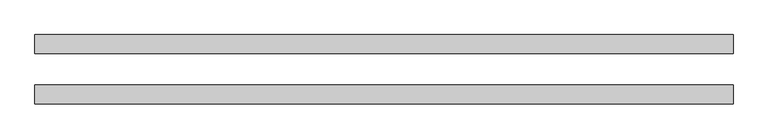
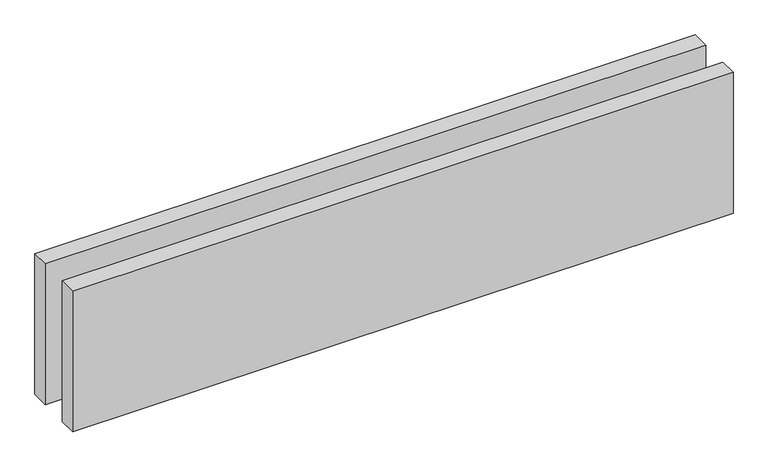
"""IFC4 building model written with IfcOpenShell, lengths in millimetres: proxy geometry."""

from ifc_helpers import new_model, si_unit, origin, origin_with_axes, place, context, project, spatial, polyline, outline, extrude, source, transform, mapped, element, save


def generic_models_584e66f2(model_context):
    return source(origin(), model_context, "Body", "SweptSolid", [
        extrude(outline(polyline([(1110.0, -25.0), (1110.0, -55.0), (0.0, -55.0), (0.0, -25.0), (1110.0, -25.0)])), origin_with_axes(), (0.0, 0.0, 1.0), 250.0),
        extrude(outline(polyline([(1110.0, 55.0), (1110.0, 25.0), (0.0, 25.0), (0.0, 55.0), (1110.0, 55.0)])), origin_with_axes(), (0.0, 0.0, 1.0), 250.0),
    ])


if __name__ == "__main__":
    model = new_model("IFC4")
    model_context = context("Model", 3, world=origin())
    ifc_project = project(units=[si_unit("LENGTHUNIT", "METRE", prefix="MILLI")], contexts=[model_context])
    site = spatial("IfcSite", under=ifc_project)
    building = spatial("IfcBuilding", under=site)
    placement = place(None, origin())
    generic_models_shape = generic_models_584e66f2(model_context)
    element("IfcBuildingElementProxy", 1, Name="Generic Models", at=placement, inside=building, context=model_context, shape_type="MappedRepresentation", body=[
        mapped(generic_models_shape, transform((0.0, 0.0, 0.0), x_axis=(1.0, 0.0, 0.0), y_axis=(0.0, 1.0, 0.0), z_axis=(0.0, 0.0, 1.0))),
    ])
    save(model, "model.ifc")
